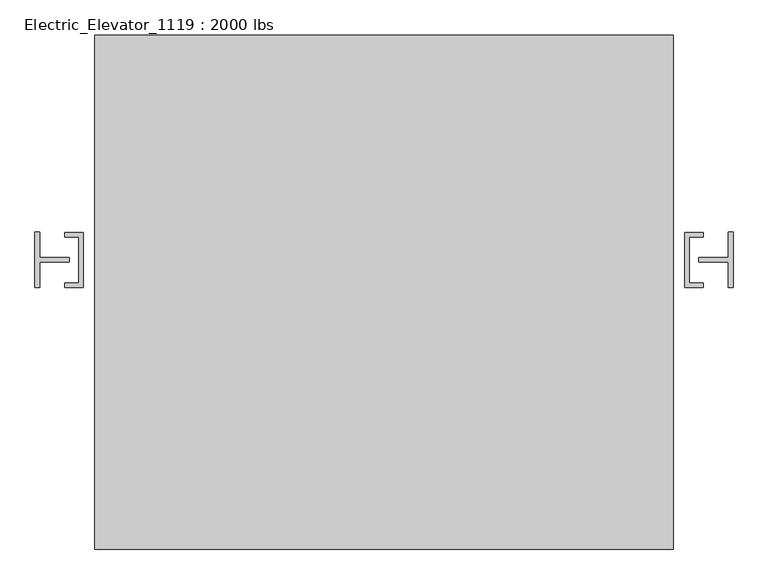
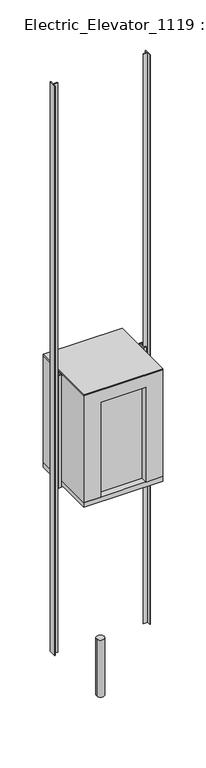
"""IFC4 building model written with IfcOpenShell, lengths in millimetres: proxy geometry, Electric_Elevator_1119 : 2000 lbs."""

from ifc_helpers import new_model, si_unit, point, frame, frame_2d, origin, origin_with_axes, place, context, project, spatial, polyline, circle_curve, trimmed, segment, composite_curve, outline, extrude, faceted_brep, source, transform, mapped, element, save


def electric_elevator_1119_2000_lbs_89f88a33(model_context):
    return source(origin(), model_context, "Body", "SolidModel", [
        extrude(outline(polyline([(464.6469965, -663.9281737), (464.6469965, -714.7281737), (-449.7530035, -714.7281737), (-449.7530035, -663.9281737), (464.6469965, -663.9281737)])), frame((0.0, 0.0, 3657.6), z_axis=(0.0, 0.0, 1.0), x_axis=(1.0, 0.0, 0.0)), (0.0, 0.0, 1.0), 2032.0),
        extrude(outline(polyline([(807.5469965, 574.3218263), (807.5469965, -848.0781737), (-792.6530035, -848.0781737), (-792.6530035, 574.3218263), (807.5469965, 574.3218263)])), frame((0.0, 0.0, 5943.6), z_axis=(0.0, 0.0, 1.0), x_axis=(1.0, 0.0, 0.0)), (0.0, 0.0, 1.0), 25.4),
        extrude(outline(composite_curve([segment(trimmed(circle_curve(frame_2d((7.4469965, -47.9781737)), 76.2), [point((-68.7530035, -47.9781737))], [point((83.6469965, -47.9781737))], False, "CARTESIAN"), True, "CONTINUOUS"), segment(trimmed(circle_curve(frame_2d((7.4469965, -47.9781737)), 76.2), [point((83.6469965, -47.9781737))], [point((-68.7530035, -47.9781737))], False, "CARTESIAN"), True, "CONTINUOUS")], self_intersect=False)), frame((0.0, 0.0, -1219.2), z_axis=(0.0, 0.0, 1.0), x_axis=(1.0, 0.0, 0.0)), (0.0, 0.0, 1.0), 1219.2),
        faceted_brep([(807.5469965, 574.3218263, 5943.6), (-792.6530035, 574.3218263, 5943.6), (-792.6530035, -848.0781737, 5943.6), (807.5469965, -848.0781737, 5943.6), (769.4469965, 523.5218263, 5943.6), (769.4469965, -619.4781737, 5943.6), (-754.5530035, -619.4781737, 5943.6), (-754.5530035, 523.5218263, 5943.6), (769.4469965, 523.5218263, 3657.6), (-754.5530035, 523.5218263, 3657.6), (-754.5530035, -619.4781737, 3657.6), (-449.7530035, -619.4781737, 3657.6), (-449.7530035, -848.0781737, 3657.6), (-792.6530035, -848.0781737, 3657.6), (-792.6530035, 574.3218263, 3657.6), (807.5469965, 574.3218263, 3657.6), (807.5469965, -848.0781737, 3657.6), (464.6469965, -848.0781737, 3657.6), (464.6469965, -619.4781737, 3657.6), (769.4469965, -619.4781737, 3657.6), (464.6469965, -619.4781737, 5689.6), (-449.7530035, -619.4781737, 5689.6), (-449.7530035, -848.0781737, 5689.6), (464.6469965, -848.0781737, 5689.6)], [[[0, 1, 2, 3], [4, 5, 6, 7]], [[8, 9, 10, 11, 12, 13, 14, 15, 16, 17, 18, 19]], [[5, 4, 8, 19]], [[6, 5, 19, 18, 20, 21, 11, 10]], [[7, 6, 10, 9]], [[4, 7, 9, 8]], [[1, 0, 15, 14]], [[2, 1, 14, 13]], [[3, 2, 13, 12, 22, 23, 17, 16]], [[0, 3, 16, 15]], [[22, 21, 20, 23]], [[21, 22, 12, 11]], [[23, 20, 18, 17]]]),
        extrude(outline(polyline([(807.5469965, 574.3218263), (807.5469965, -848.0781737), (-792.6530035, -848.0781737), (-792.6530035, 574.3218263), (807.5469965, 574.3218263)])), frame((0.0, 0.0, 3556.0), z_axis=(0.0, 0.0, 1.0), x_axis=(1.0, 0.0, 0.0)), (0.0, 0.0, 1.0), 101.6),
        extrude(outline(polyline([(-824.4030035, 28.2218263), (-824.4030035, -124.1781737), (-875.2030035, -124.1781737), (-875.2030035, -111.4781737), (-837.1030035, -111.4781737), (-837.1030035, 15.5218263), (-875.2030035, 15.5218263), (-875.2030035, 28.2218263), (-824.4030035, 28.2218263)])), frame((0.0, 0.0, 3556.0), z_axis=(0.0, 0.0, 1.0), x_axis=(1.0, 0.0, 0.0)), (0.0, 0.0, 1.0), 2413.0),
        extrude(outline(polyline([(839.2969965, 28.2218263), (890.0969965, 28.2218263), (890.0969965, 15.5218263), (851.9969965, 15.5218263), (851.9969965, -111.4781737), (890.0969965, -111.4781737), (890.0969965, -124.1781737), (839.2969965, -124.1781737), (839.2969965, 28.2218263)])), frame((0.0, 0.0, 3556.0), z_axis=(0.0, 0.0, 1.0), x_axis=(1.0, 0.0, 0.0)), (0.0, 0.0, 1.0), 2413.0),
        extrude(outline(polyline([(-945.0530035, 28.2218263), (-945.0530035, -41.6281737), (-862.5030035, -41.6281737), (-862.5030035, -54.3281737), (-945.0530035, -54.3281737), (-945.0530035, -124.1781737), (-957.7530035, -124.1781737), (-957.7530035, 28.2218263), (-945.0530035, 28.2218263)])), origin_with_axes(), (0.0, 0.0, 1.0), 12192.0),
        extrude(outline(polyline([(959.9469965, 28.2218263), (972.6469965, 28.2218263), (972.6469965, -124.1781737), (959.9469965, -124.1781737), (959.9469965, -54.3281737), (877.3969965, -54.3281737), (877.3969965, -41.6281737), (959.9469965, -41.6281737), (959.9469965, 28.2218263)])), origin_with_axes(), (0.0, 0.0, 1.0), 12192.0),
    ])


if __name__ == "__main__":
    model = new_model("IFC4")
    model_context = context("Model", 3, world=origin())
    ifc_project = project(units=[si_unit("LENGTHUNIT", "METRE", prefix="MILLI")], contexts=[model_context])
    site = spatial("IfcSite", under=ifc_project)
    building = spatial("IfcBuilding", under=site)
    placement = place(None, origin())
    electric_elevator_1119_2000_lbs_shape = electric_elevator_1119_2000_lbs_89f88a33(model_context)
    element("IfcBuildingElementProxy", 1, Name="Electric_Elevator_1119 : 2000 lbs", ObjectType="Electric_Elevator_1119 : 2000 lbs", at=placement, inside=building, context=model_context, shape_type="MappedRepresentation", body=[
        mapped(electric_elevator_1119_2000_lbs_shape, transform((0.0, 0.0, 0.0), x_axis=(1.0, 0.0, 0.0), y_axis=(0.0, 1.0, 0.0), z_axis=(0.0, 0.0, 1.0))),
    ])
    save(model, "model.ifc")
